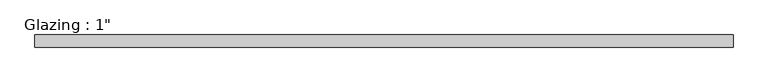
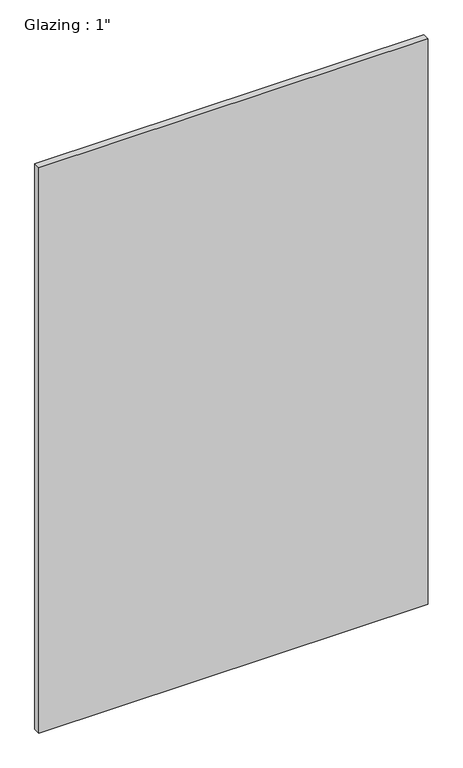
"""IFC4 building model written with IfcOpenShell, lengths in millimetres: plate geometry."""

from ifc_helpers import new_model, si_unit, origin, origin_with_axes, place, context, project, spatial, polyline, outline, extrude, source, transform, mapped, element, save


def plate_5e900fbd(model_context):
    return source(origin(), model_context, "Body", "SweptSolid", [
        extrude(outline(polyline([(709.0714792, 12.7), (709.0714792, -12.7), (-709.0714792, -12.7), (-709.0714792, 12.7), (709.0714792, 12.7)])), origin_with_axes(), (0.0, 0.0, 1.0), 2177.9425731),
    ])


if __name__ == "__main__":
    model = new_model("IFC4")
    model_context = context("Model", 3, world=origin())
    ifc_project = project(units=[si_unit("LENGTHUNIT", "METRE", prefix="MILLI")], contexts=[model_context])
    site = spatial("IfcSite", under=ifc_project)
    building = spatial("IfcBuilding", under=site)
    placement = place(None, origin())
    plate_shape = plate_5e900fbd(model_context)
    element("IfcPlate", 1, ObjectType="Glazing : 1\"", at=placement, inside=building, context=model_context, shape_type="MappedRepresentation", body=[
        mapped(plate_shape, transform((0.0, 0.0, 0.0), x_axis=(1.0, 0.0, 0.0), y_axis=(0.0, 1.0, 0.0), z_axis=(0.0, 0.0, 1.0))),
    ])
    save(model, "model.ifc")
